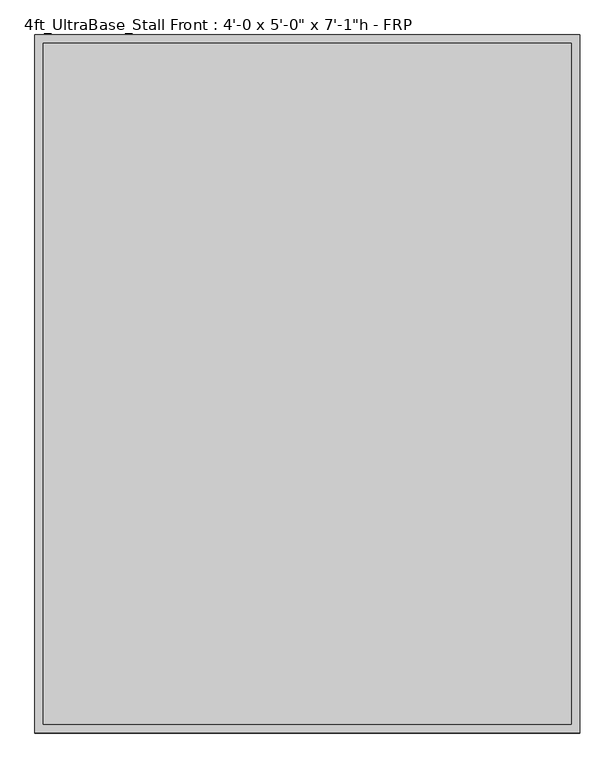
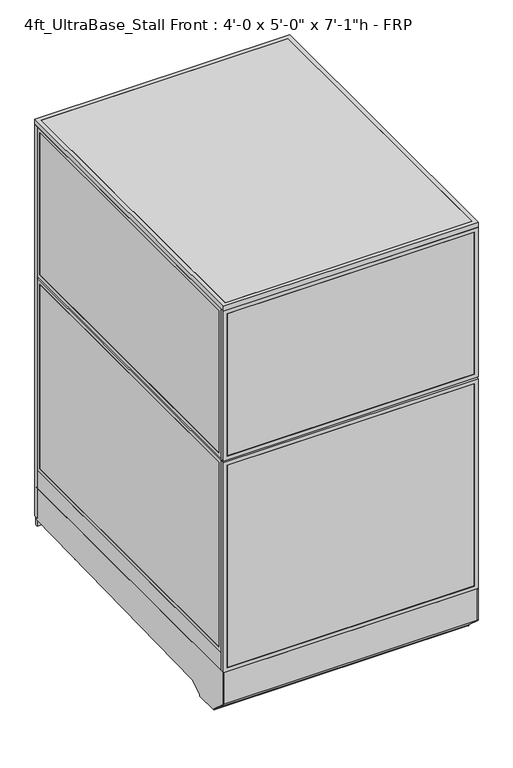
"""IFC4 building model written with IfcOpenShell, lengths in millimetres: proxy geometry."""

from ifc_helpers import new_model, si_unit, point, frame, frame_2d, origin, origin_with_axes, place, context, project, spatial, polyline, circle_curve, trimmed, segment, composite_curve, outline, extrude, source, transform, mapped, element, save


def proxy_62734afd(model_context):
    return source(origin(), model_context, "Body", "SweptSolid", [
        extrude(outline(polyline([(152.4, 1219.2), (2133.6, 1219.2), (2133.6, 304.8), (152.4, 304.8), (152.4, 1219.2)]), holes=[polyline([(971.55, 1200.15), (171.45, 1200.15), (171.45, 323.85), (971.55, 323.85), (971.55, 1200.15)]), polyline([(1009.65, 323.85), (2114.55, 323.85), (2114.55, 1200.15), (1009.65, 1200.15), (1009.65, 323.85)])]), frame((0.0, 1524.0, 0.0), z_axis=(0.0, 1.0, 0.0), x_axis=(0.0, 0.0, 1.0)), (0.0, 0.0, 1.0), 19.05),
        extrude(outline(polyline([(1158.8810162, 1541.4625), (1158.8810162, 1525.5875), (365.1189838, 1525.5875), (365.1189838, 1541.4625), (1158.8810162, 1541.4625)])), frame((0.0, 0.0, 212.725), z_axis=(0.0, 0.0, 1.0), x_axis=(1.0, 0.0, 0.0)), (0.0, 0.0, 1.0), 717.55),
        extrude(outline(polyline([(1031.875, 1177.9310162), (2092.325, 1177.9310162), (2092.325, 346.0689838), (1031.875, 346.0689838), (1031.875, 1177.9310162)]), holes=[polyline([(2073.275, 365.1189838), (2073.275, 1158.8810162), (1050.925, 1158.8810162), (1050.925, 365.1189838), (2073.275, 365.1189838)])]), frame((0.0, 1524.0, 0.0), z_axis=(0.0, 1.0, 0.0), x_axis=(0.0, 0.0, 1.0)), (0.0, 0.0, 1.0), 19.05),
        extrude(outline(polyline([(193.675, 1177.9310162), (949.325, 1177.9310162), (949.325, 346.0689838), (193.675, 346.0689838), (193.675, 1177.9310162)]), holes=[polyline([(930.275, 365.1189838), (930.275, 1158.8810162), (212.725, 1158.8810162), (212.725, 365.1189838), (930.275, 365.1189838)])]), frame((0.0, 1524.0, 0.0), z_axis=(0.0, 1.0, 0.0), x_axis=(0.0, 0.0, 1.0)), (0.0, 0.0, 1.0), 19.05),
        extrude(outline(polyline([(1158.8810162, 1541.4625), (1158.8810162, 1525.5875), (365.1189838, 1525.5875), (365.1189838, 1541.4625), (1158.8810162, 1541.4625)])), frame((0.0, 0.0, 1050.925), z_axis=(0.0, 0.0, 1.0), x_axis=(1.0, 0.0, 0.0)), (0.0, 0.0, 1.0), 1022.35),
        extrude(outline(polyline([(152.4, 0.0), (152.4, 304.8), (2133.6, 304.8), (2133.6, 0.0), (152.4, 0.0)]), holes=[polyline([(171.45, 19.05), (2114.55, 19.05), (2114.55, 285.75), (171.45, 285.75), (171.45, 19.05)])]), frame((0.0, 1524.0, 0.0), z_axis=(0.0, 1.0, 0.0), x_axis=(0.0, 0.0, 1.0)), (0.0, 0.0, 1.0), 19.05),
        extrude(outline(polyline([(285.75, 1541.4625), (285.75, 1525.5875), (19.05, 1525.5875), (19.05, 1541.4625), (285.75, 1541.4625)])), frame((0.0, 0.0, 171.45), z_axis=(0.0, 0.0, 1.0), x_axis=(1.0, 0.0, 0.0)), (0.0, 0.0, 1.0), 1943.1),
        extrude(outline(composite_curve([segment(trimmed(circle_curve(frame_2d((1110.8236459, 1372.8018426)), 38.1), [point((1072.7236459, 1372.8018426))], [point((1148.9236459, 1372.8018426))], False, "CARTESIAN"), True, "CONTINUOUS"), segment(trimmed(circle_curve(frame_2d((1110.8236459, 1372.8018426)), 38.1), [point((1148.9236459, 1372.8018426))], [point((1072.7236459, 1372.8018426))], False, "CARTESIAN"), True, "CONTINUOUS")], self_intersect=False)), frame((0.0, 0.0, 130.9806848), z_axis=(0.0, 0.0, 1.0), x_axis=(1.0, 0.0, 0.0)), (0.0, 0.0, 1.0), 12.9784433),
        extrude(outline(composite_curve([segment(trimmed(circle_curve(frame_2d((1110.8236459, 1372.8018426)), 12.7), [point((1098.1236459, 1372.8018426))], [point((1123.5236459, 1372.8018426))], False, "CARTESIAN"), True, "CONTINUOUS"), segment(trimmed(circle_curve(frame_2d((1110.8236459, 1372.8018426)), 12.7), [point((1123.5236459, 1372.8018426))], [point((1098.1236459, 1372.8018426))], False, "CARTESIAN"), True, "CONTINUOUS")], self_intersect=False)), frame((0.0, 0.0, 6.35), z_axis=(0.0, 0.0, 1.0), x_axis=(1.0, 0.0, 0.0)), (0.0, 0.0, 1.0), 124.6306848),
        extrude(outline(composite_curve([segment(trimmed(circle_curve(frame_2d((1110.8236459, 1372.8018426)), 25.4), [point((1085.4236459, 1372.8018426))], [point((1136.2236459, 1372.8018426))], False, "CARTESIAN"), True, "CONTINUOUS"), segment(trimmed(circle_curve(frame_2d((1110.8236459, 1372.8018426)), 25.4), [point((1136.2236459, 1372.8018426))], [point((1085.4236459, 1372.8018426))], False, "CARTESIAN"), True, "CONTINUOUS")], self_intersect=False)), origin_with_axes(), (0.0, 0.0, 1.0), 6.35),
        extrude(outline(composite_curve([segment(trimmed(circle_curve(frame_2d((120.2236459, 1372.8018426)), 38.1), [point((82.1236459, 1372.8018426))], [point((158.3236459, 1372.8018426))], False, "CARTESIAN"), True, "CONTINUOUS"), segment(trimmed(circle_curve(frame_2d((120.2236459, 1372.8018426)), 38.1), [point((158.3236459, 1372.8018426))], [point((82.1236459, 1372.8018426))], False, "CARTESIAN"), True, "CONTINUOUS")], self_intersect=False)), frame((0.0, 0.0, 130.9806848), z_axis=(0.0, 0.0, 1.0), x_axis=(1.0, 0.0, 0.0)), (0.0, 0.0, 1.0), 12.9784433),
        extrude(outline(composite_curve([segment(trimmed(circle_curve(frame_2d((120.2236459, 1372.8018426)), 12.7), [point((107.5236459, 1372.8018426))], [point((132.9236459, 1372.8018426))], False, "CARTESIAN"), True, "CONTINUOUS"), segment(trimmed(circle_curve(frame_2d((120.2236459, 1372.8018426)), 12.7), [point((132.9236459, 1372.8018426))], [point((107.5236459, 1372.8018426))], False, "CARTESIAN"), True, "CONTINUOUS")], self_intersect=False)), frame((0.0, 0.0, 6.35), z_axis=(0.0, 0.0, 1.0), x_axis=(1.0, 0.0, 0.0)), (0.0, 0.0, 1.0), 124.6306848),
        extrude(outline(composite_curve([segment(trimmed(circle_curve(frame_2d((120.2236459, 1372.8018426)), 25.4), [point((94.8236459, 1372.8018426))], [point((145.6236459, 1372.8018426))], False, "CARTESIAN"), True, "CONTINUOUS"), segment(trimmed(circle_curve(frame_2d((120.2236459, 1372.8018426)), 25.4), [point((145.6236459, 1372.8018426))], [point((94.8236459, 1372.8018426))], False, "CARTESIAN"), True, "CONTINUOUS")], self_intersect=False)), origin_with_axes(), (0.0, 0.0, 1.0), 6.35),
        extrude(outline(composite_curve([segment(trimmed(circle_curve(frame_2d((120.2236459, 331.9496116)), 38.1), [point((82.1236459, 331.9496116))], [point((158.3236459, 331.9496116))], False, "CARTESIAN"), True, "CONTINUOUS"), segment(trimmed(circle_curve(frame_2d((120.2236459, 331.9496116)), 38.1), [point((158.3236459, 331.9496116))], [point((82.1236459, 331.9496116))], False, "CARTESIAN"), True, "CONTINUOUS")], self_intersect=False)), frame((0.0, 0.0, 103.9931848), z_axis=(0.0, 0.0, 1.0), x_axis=(1.0, 0.0, 0.0)), (0.0, 0.0, 1.0), 12.9784433),
        extrude(outline(composite_curve([segment(trimmed(circle_curve(frame_2d((120.2236459, 331.9496116)), 12.7), [point((107.5236459, 331.9496116))], [point((132.9236459, 331.9496116))], False, "CARTESIAN"), True, "CONTINUOUS"), segment(trimmed(circle_curve(frame_2d((120.2236459, 331.9496116)), 12.7), [point((132.9236459, 331.9496116))], [point((107.5236459, 331.9496116))], False, "CARTESIAN"), True, "CONTINUOUS")], self_intersect=False)), frame((0.0, 0.0, 6.35), z_axis=(0.0, 0.0, 1.0), x_axis=(1.0, 0.0, 0.0)), (0.0, 0.0, 1.0), 97.6431848),
        extrude(outline(composite_curve([segment(trimmed(circle_curve(frame_2d((120.2236459, 331.9496116)), 25.4), [point((94.8236459, 331.9496116))], [point((145.6236459, 331.9496116))], False, "CARTESIAN"), True, "CONTINUOUS"), segment(trimmed(circle_curve(frame_2d((120.2236459, 331.9496116)), 25.4), [point((145.6236459, 331.9496116))], [point((94.8236459, 331.9496116))], False, "CARTESIAN"), True, "CONTINUOUS")], self_intersect=False)), origin_with_axes(), (0.0, 0.0, 1.0), 6.35),
        extrude(outline(composite_curve([segment(trimmed(circle_curve(frame_2d((1110.8236459, 331.9496116)), 38.1), [point((1072.7236459, 331.9496116))], [point((1148.9236459, 331.9496116))], False, "CARTESIAN"), True, "CONTINUOUS"), segment(trimmed(circle_curve(frame_2d((1110.8236459, 331.9496116)), 38.1), [point((1148.9236459, 331.9496116))], [point((1072.7236459, 331.9496116))], False, "CARTESIAN"), True, "CONTINUOUS")], self_intersect=False)), frame((0.0, 0.0, 103.9931848), z_axis=(0.0, 0.0, 1.0), x_axis=(1.0, 0.0, 0.0)), (0.0, 0.0, 1.0), 12.9784433),
        extrude(outline(composite_curve([segment(trimmed(circle_curve(frame_2d((1110.8236459, 331.9496116)), 12.7), [point((1098.1236459, 331.9496116))], [point((1123.5236459, 331.9496116))], False, "CARTESIAN"), True, "CONTINUOUS"), segment(trimmed(circle_curve(frame_2d((1110.8236459, 331.9496116)), 12.7), [point((1123.5236459, 331.9496116))], [point((1098.1236459, 331.9496116))], False, "CARTESIAN"), True, "CONTINUOUS")], self_intersect=False)), frame((0.0, 0.0, 6.35), z_axis=(0.0, 0.0, 1.0), x_axis=(1.0, 0.0, 0.0)), (0.0, 0.0, 1.0), 97.6431848),
        extrude(outline(composite_curve([segment(trimmed(circle_curve(frame_2d((1110.8236459, 331.9496116)), 25.4), [point((1085.4236459, 331.9496116))], [point((1136.2236459, 331.9496116))], False, "CARTESIAN"), True, "CONTINUOUS"), segment(trimmed(circle_curve(frame_2d((1110.8236459, 331.9496116)), 25.4), [point((1136.2236459, 331.9496116))], [point((1085.4236459, 331.9496116))], False, "CARTESIAN"), True, "CONTINUOUS")], self_intersect=False)), origin_with_axes(), (0.0, 0.0, 1.0), 6.35),
        extrude(outline(polyline([(-19.05, 304.8), (1530.35, 304.8), (1530.35, 143.3232444), (238.733612, 113.4956461), (175.3928625, 76.9258473), (175.3928625, 69.0977369), (59.8970382, 69.0977369), (59.8970382, 73.3553835), (-19.05, 144.439616), (-19.05, 304.8)])), frame((0.0, 0.0, 0.0), z_axis=(1.0, 0.0, 0.0), x_axis=(0.0, 1.0, 0.0)), (0.0, 0.0, 1.0), 3.175),
        extrude(outline(polyline([(-19.05, 304.8), (1530.35, 304.8), (1530.35, 143.3232444), (238.733612, 113.4956461), (175.3928625, 76.9258473), (175.3928625, 69.0977369), (59.8970382, 69.0977369), (59.8970382, 73.3553835), (-19.05, 144.439616), (-19.05, 304.8)])), frame((1216.025, 0.0, 0.0), z_axis=(1.0, 0.0, 0.0), x_axis=(0.0, 1.0, 0.0)), (0.0, 0.0, 1.0), 3.175),
        extrude(outline(polyline([(1530.35, 104.78262), (1530.35, 144.8342358), (238.733612, 113.4956461), (175.3928625, 76.9258473), (175.3928625, 69.0977369), (59.8970382, 69.0977369), (59.8970382, 73.3553835), (-19.05, 144.439616), (-19.05, 304.8), (-10.9434074, 304.8), (-10.9434074, 236.4996867), (-5.6766373, 236.4996867), (-2.6025146, 148.4683295), (68.18203, 84.7336392), (68.18203, 79.4164869), (167.804636, 79.4164869), (167.804636, 86.088281), (237.0845322, 126.0870477), (1543.05, 157.8890047), (1543.05, 104.78262), (1530.35, 104.78262)])), frame((3.175, 0.0, 0.0), z_axis=(1.0, 0.0, 0.0), x_axis=(0.0, 1.0, 0.0)), (0.0, 0.0, 1.0), 1212.85),
        extrude(outline(polyline([(1366.8375, 1219.2), (1366.8375, 0.0), (304.8, 0.0), (304.8, 1219.2), (1366.8375, 1219.2)]), holes=[polyline([(323.85, 1200.15), (323.85, 19.05), (1347.7875, 19.05), (1347.7875, 1200.15), (323.85, 1200.15)])]), frame((0.0, -19.05, 0.0), z_axis=(0.0, 1.0, 0.0), x_axis=(0.0, 0.0, 1.0)), (0.0, 0.0, 1.0), 19.05),
        extrude(outline(polyline([(1376.3625, 1219.2), (2133.6, 1219.2), (2133.6, 0.0), (1376.3625, 0.0), (1376.3625, 1219.2)]), holes=[polyline([(2114.55, 1200.15), (1395.4125, 1200.15), (1395.4125, 19.05), (2114.55, 19.05), (2114.55, 1200.15)])]), frame((0.0, -19.05, 0.0), z_axis=(0.0, 1.0, 0.0), x_axis=(0.0, 0.0, 1.0)), (0.0, 0.0, 1.0), 19.05),
        extrude(outline(polyline([(1200.15, -17.4625), (19.05, -17.4625), (19.05, -1.5875), (1200.15, -1.5875), (1200.15, -17.4625)])), frame((0.0, 0.0, 323.85), z_axis=(0.0, 0.0, 1.0), x_axis=(1.0, 0.0, 0.0)), (0.0, 0.0, 1.0), 1023.9375),
        extrude(outline(polyline([(1200.15, -17.4625), (19.05, -17.4625), (19.05, -1.5875), (1200.15, -1.5875), (1200.15, -17.4625)])), frame((0.0, 0.0, 1395.4125), z_axis=(0.0, 0.0, 1.0), x_axis=(1.0, 0.0, 0.0)), (0.0, 0.0, 1.0), 719.1375),
        extrude(outline(polyline([(1200.15, 0.0), (1200.15, 1524.0), (1219.2, 1524.0), (1219.2, 0.0), (1200.15, 0.0)])), frame((0.0, 0.0, 304.8), z_axis=(0.0, 0.0, 1.0), x_axis=(1.0, 0.0, 0.0)), (0.0, 0.0, 1.0), 88.9),
        extrude(outline(polyline([(1524.0, 393.7), (0.0, 393.7), (0.0, 1366.8375), (1524.0, 1366.8375), (1524.0, 393.7)]), holes=[polyline([(1504.95, 1347.7875), (19.05, 1347.7875), (19.05, 412.75), (1504.95, 412.75), (1504.95, 1347.7875)])]), frame((1200.15, 0.0, 0.0), z_axis=(1.0, 0.0, 0.0), x_axis=(0.0, 1.0, 0.0)), (0.0, 0.0, 1.0), 19.05),
        extrude(outline(polyline([(0.0, 1376.3625), (0.0, 2133.6), (1524.0, 2133.6), (1524.0, 1376.3625), (0.0, 1376.3625)]), holes=[polyline([(19.05, 2114.55), (19.05, 1395.4125), (1504.95, 1395.4125), (1504.95, 2114.55), (19.05, 2114.55)])]), frame((1200.15, 0.0, 0.0), z_axis=(1.0, 0.0, 0.0), x_axis=(0.0, 1.0, 0.0)), (0.0, 0.0, 1.0), 19.05),
        extrude(outline(polyline([(1201.7375, 19.05), (1201.7375, 1504.95), (1217.6125, 1504.95), (1217.6125, 19.05), (1201.7375, 19.05)])), frame((0.0, 0.0, 412.75), z_axis=(0.0, 0.0, 1.0), x_axis=(1.0, 0.0, 0.0)), (0.0, 0.0, 1.0), 935.0375),
        extrude(outline(polyline([(1201.7375, 19.05), (1201.7375, 1504.95), (1217.6125, 1504.95), (1217.6125, 19.05), (1201.7375, 19.05)])), frame((0.0, 0.0, 1395.4125), z_axis=(0.0, 0.0, 1.0), x_axis=(1.0, 0.0, 0.0)), (0.0, 0.0, 1.0), 719.1375),
        extrude(outline(polyline([(0.0, 0.0), (0.0, 1524.0), (19.05, 1524.0), (19.05, 0.0), (0.0, 0.0)])), frame((0.0, 0.0, 304.8), z_axis=(0.0, 0.0, 1.0), x_axis=(1.0, 0.0, 0.0)), (0.0, 0.0, 1.0), 88.9),
        extrude(outline(polyline([(1524.0, 393.7), (0.0, 393.7), (0.0, 1366.8375), (1524.0, 1366.8375), (1524.0, 393.7)]), holes=[polyline([(1504.95, 1347.7875), (19.05, 1347.7875), (19.05, 412.75), (1504.95, 412.75), (1504.95, 1347.7875)])]), frame((0.0, 0.0, 0.0), z_axis=(1.0, 0.0, 0.0), x_axis=(0.0, 1.0, 0.0)), (0.0, 0.0, 1.0), 19.05),
        extrude(outline(polyline([(0.0, 1376.3625), (0.0, 2133.6), (1524.0, 2133.6), (1524.0, 1376.3625), (0.0, 1376.3625)]), holes=[polyline([(19.05, 2114.55), (19.05, 1395.4125), (1504.95, 1395.4125), (1504.95, 2114.55), (19.05, 2114.55)])]), frame((0.0, 0.0, 0.0), z_axis=(1.0, 0.0, 0.0), x_axis=(0.0, 1.0, 0.0)), (0.0, 0.0, 1.0), 19.05),
        extrude(outline(polyline([(1.5875, 19.05), (1.5875, 1504.95), (17.4625, 1504.95), (17.4625, 19.05), (1.5875, 19.05)])), frame((0.0, 0.0, 412.75), z_axis=(0.0, 0.0, 1.0), x_axis=(1.0, 0.0, 0.0)), (0.0, 0.0, 1.0), 935.0375),
        extrude(outline(polyline([(1.5875, 19.05), (1.5875, 1504.95), (17.4625, 1504.95), (17.4625, 19.05), (1.5875, 19.05)])), frame((0.0, 0.0, 1395.4125), z_axis=(0.0, 0.0, 1.0), x_axis=(1.0, 0.0, 0.0)), (0.0, 0.0, 1.0), 719.1375),
        extrude(outline(polyline([(1187.45, 622.3), (1187.45, 609.6), (31.75, 609.6), (31.75, 622.3), (1187.45, 622.3)])), frame((0.0, 0.0, 152.4), z_axis=(0.0, 0.0, 1.0), x_axis=(1.0, 0.0, 0.0)), (0.0, 0.0, 1.0), 152.4),
        extrude(outline(polyline([(1187.45, 622.3), (1187.45, 12.7), (31.75, 12.7), (31.75, 622.3), (1187.45, 622.3)])), frame((0.0, 0.0, 304.8), z_axis=(0.0, 0.0, 1.0), x_axis=(1.0, 0.0, 0.0)), (0.0, 0.0, 1.0), 12.7),
        extrude(outline(polyline([(1219.2, 1543.05), (1219.2, -19.05), (0.0, -19.05), (0.0, 1543.05), (1219.2, 1543.05)]), holes=[polyline([(1200.15, 1524.0), (19.05, 1524.0), (19.05, 0.0), (1200.15, 0.0), (1200.15, 1524.0)])]), frame((0.0, 0.0, 2133.6), z_axis=(0.0, 0.0, 1.0), x_axis=(1.0, 0.0, 0.0)), (0.0, 0.0, 1.0), 25.4),
        extrude(outline(polyline([(19.05, 1524.0), (1200.15, 1524.0), (1200.15, 0.0), (19.05, 0.0), (19.05, 1524.0)])), frame((0.0, 0.0, 2133.6), z_axis=(0.0, 0.0, 1.0), x_axis=(1.0, 0.0, 0.0)), (0.0, 0.0, 1.0), 25.4),
    ])


if __name__ == "__main__":
    model = new_model("IFC4")
    model_context = context("Model", 3, world=origin())
    ifc_project = project(units=[si_unit("LENGTHUNIT", "METRE", prefix="MILLI")], contexts=[model_context])
    site = spatial("IfcSite", under=ifc_project)
    building = spatial("IfcBuilding", under=site)
    placement = place(None, origin())
    proxy_shape = proxy_62734afd(model_context)
    element("IfcBuildingElementProxy", 1, Name="4ft_UltraBase_Stall Front : 4'-0 x 5'-0\" x 7'-1\"h - FRP", ObjectType="4ft_UltraBase_Stall Front : 4'-0 x 5'-0\" x 7'-1\"h - FRP", at=placement, inside=building, context=model_context, shape_type="MappedRepresentation", body=[
        mapped(proxy_shape, transform((0.0, 0.0, 0.0), x_axis=(1.0, 0.0, 0.0), y_axis=(0.0, 1.0, 0.0), z_axis=(0.0, 0.0, 1.0))),
    ])
    save(model, "model.ifc")
